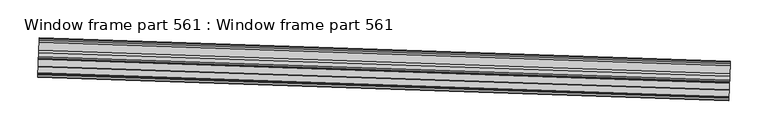
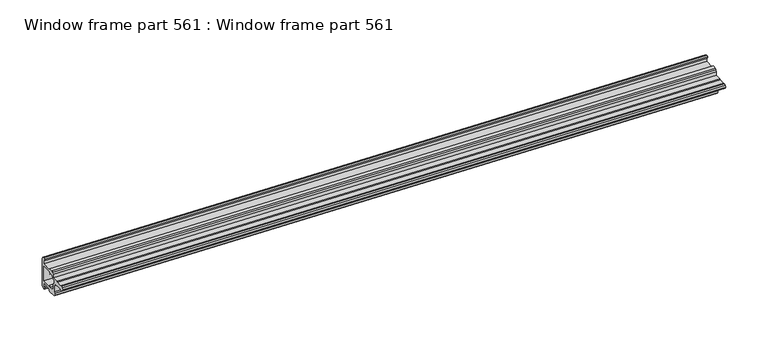
"""IFC4 building model written with IfcOpenShell, lengths in millimetres: proxy geometry, Window frame part 561 : Window frame part 561."""

from ifc_helpers import new_model, si_unit, frame, origin, place, context, project, spatial, polyline, outline, extrude, source, transform, mapped, element, save


def window_frame_part_561_window_frame_part_561_167874a8(model_context):
    return source(origin(), model_context, "Body", "SweptSolid", [
        extrude(outline(polyline([(-1.9622986, 0.0), (0.0, 0.0), (1.5748, -1.531998), (10.6598532, -1.531998), (11.9426933, -0.2484073), (14.9357361, -0.2484073), (15.948364, -0.9297875), (16.8783, -3.1748516), (16.8783, -12.2955832), (13.7541, -15.6302038), (14.2619514, -28.8798), (19.4944257, -28.3715773), (20.0023142, -26.3394659), (22.6694443, -26.8477072), (22.6694443, -28.8796515), (21.739564, -31.1247155), (19.4945, -32.0546515), (-19.8755, -32.0546515), (-22.120564, -31.1247155), (-23.0505, -28.8796515), (-22.5425, -26.3394659), (-19.8754257, -26.8476515), (-19.3675, -28.8798), (-14.1351, -28.3716515), (-14.1351, -15.6302038), (-17.2593, -12.2955832), (-17.2593, -7.2134515), (-16.329364, -4.9683875), (-14.0843, -4.0386696), (-9.0105107, -3.5304515), (-9.0105107, 5.2504981), (-8.0584286, 6.2031374), (-8.0584286, 14.4578589), (-9.01065, 15.4106374), (-9.01065, 16.9346373), (-8.052816, 19.2470533), (-5.7404, 20.2048874), (-3.4279841, 19.2470533), (-2.4702893, 16.9346373), (-2.4702893, 15.4120384), (-3.4223714, 14.4593992), (-3.4223714, 6.2034158), (-2.47015, 5.2506374), (-1.9622986, 0.0)]), holes=[polyline([(9.9249314, -7.3997181), (8.1294057, -5.6031432), (7.7993326, -4.706998), (0.2851312, -4.706998), (-1.2896688, -3.1748516), (-5.83565, -3.1748516), (-5.83565, -4.5972515), (-9.0097212, -7.7731797), (-10.3059316, -7.3997181), (-10.3059316, -10.9862997), (-8.5087633, -12.7845181), (-10.9600257, -14.5331851), (-10.4521, -28.8798), (10.5791, -28.3716515), (10.4815215, -14.6341086), (8.1294057, -12.7861598), (9.9249314, -10.9895849), (9.9249314, -7.3997181)])]), frame((34354.8970462, -15461.0761824, 2861.4352079), z_axis=(-0.9994149479161766, 0.03420178184987006, 0.0), x_axis=(0.0, 0.0, -1.0)), (0.0, 0.0, 1.0), 914.4),
    ])


if __name__ == "__main__":
    model = new_model("IFC4")
    model_context = context("Model", 3, world=origin())
    ifc_project = project(units=[si_unit("LENGTHUNIT", "METRE", prefix="MILLI")], contexts=[model_context])
    site = spatial("IfcSite", under=ifc_project)
    building = spatial("IfcBuilding", under=site)
    placement = place(None, origin())
    window_frame_part_561_window_frame_part_561_shape = window_frame_part_561_window_frame_part_561_167874a8(model_context)
    element("IfcBuildingElementProxy", 1, Name="Window frame part 561 : Window frame part 561", ObjectType="Window frame part 561 : Window frame part 561", at=placement, inside=building, context=model_context, shape_type="MappedRepresentation", body=[
        mapped(window_frame_part_561_window_frame_part_561_shape, transform((0.0, 0.0, 0.0), x_axis=(1.0, 0.0, 0.0), y_axis=(0.0, 1.0, 0.0), z_axis=(0.0, 0.0, 1.0))),
    ])
    save(model, "model.ifc")
